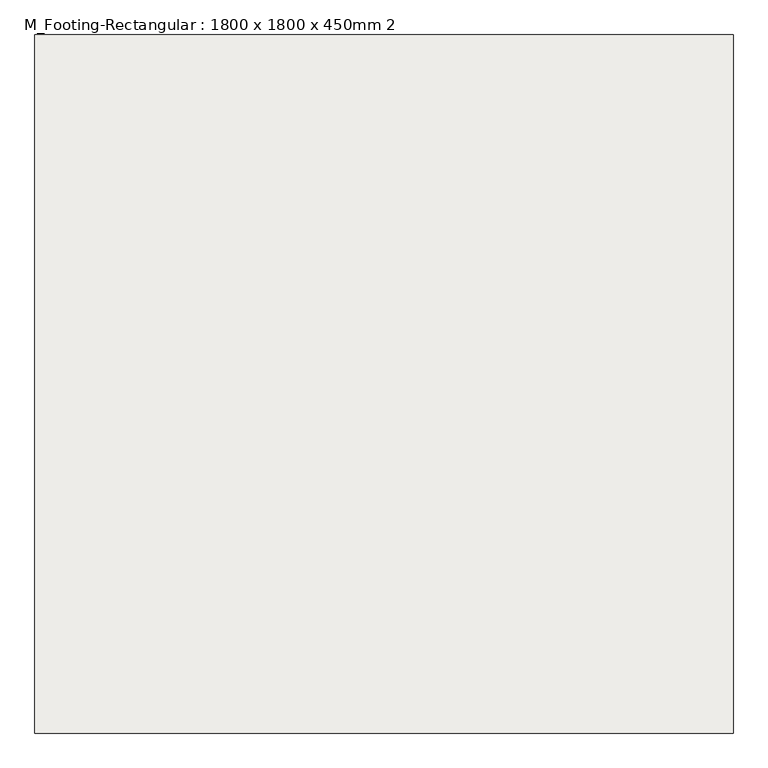
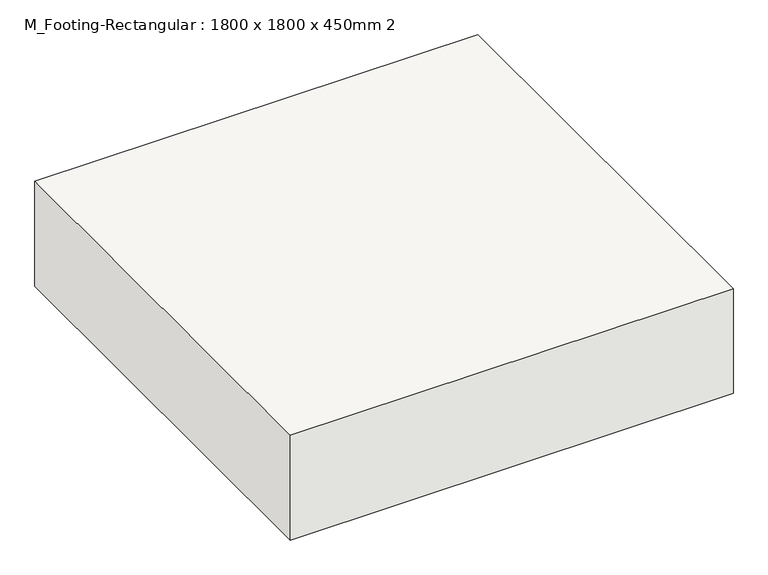
"""IFC4 building model written with IfcOpenShell, lengths in millimetres: slab geometry, M_Footing-Rectangular : 1800 x 1800 x 450mm 2."""

from ifc_helpers import new_model, si_unit, frame, origin, place, context, project, spatial, polyline, outline, extrude, source, transform, mapped, element, save


def m_footing_rectangular_1800_x_1800_x_450mm_2_e5d4dde8(model_context):
    return source(origin(), model_context, "Body", "SweptSolid", [
        extrude(outline(polyline([(900.0, 900.0), (900.0, -900.0), (-900.0, -900.0), (-900.0, 900.0), (900.0, 900.0)])), frame((0.0, 0.0, -450.0), z_axis=(0.0, 0.0, 1.0), x_axis=(1.0, 0.0, 0.0)), (0.0, 0.0, 1.0), 450.0),
    ])


if __name__ == "__main__":
    model = new_model("IFC4")
    model_context = context("Model", 3, world=origin())
    ifc_project = project(units=[si_unit("LENGTHUNIT", "METRE", prefix="MILLI")], contexts=[model_context])
    site = spatial("IfcSite", under=ifc_project)
    building = spatial("IfcBuilding", under=site)
    placement = place(None, origin())
    m_footing_rectangular_1800_x_1800_x_450mm_2_shape = m_footing_rectangular_1800_x_1800_x_450mm_2_e5d4dde8(model_context)
    element("IfcSlab", 1, ObjectType="M_Footing-Rectangular : 1800 x 1800 x 450mm 2", at=placement, inside=building, context=model_context, shape_type="MappedRepresentation", body=[
        mapped(m_footing_rectangular_1800_x_1800_x_450mm_2_shape, transform((0.0, 0.0, 0.0), x_axis=(1.0, 0.0, 0.0), y_axis=(0.0, 1.0, 0.0), z_axis=(0.0, 0.0, 1.0))),
    ])
    save(model, "model.ifc")
